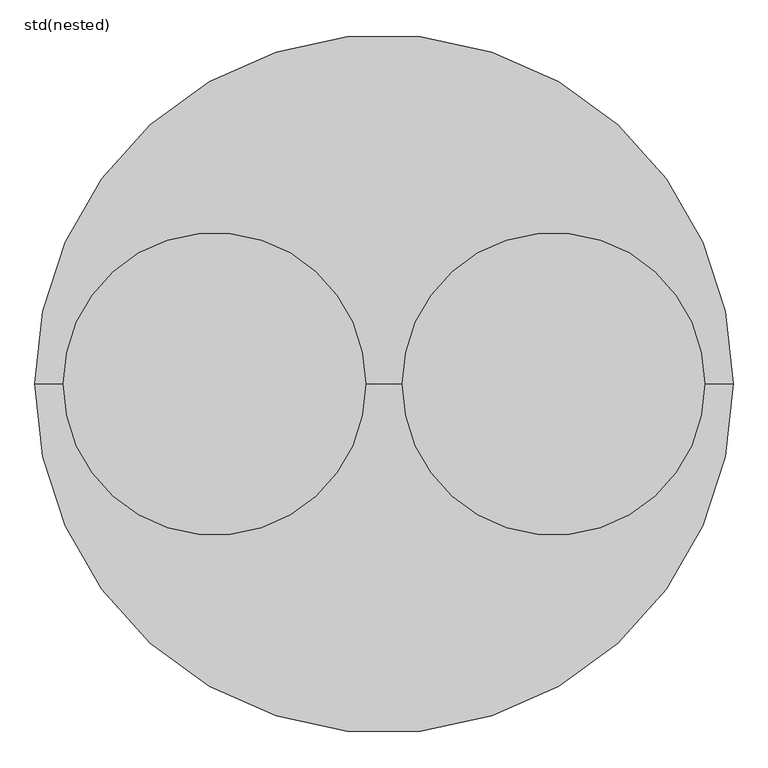
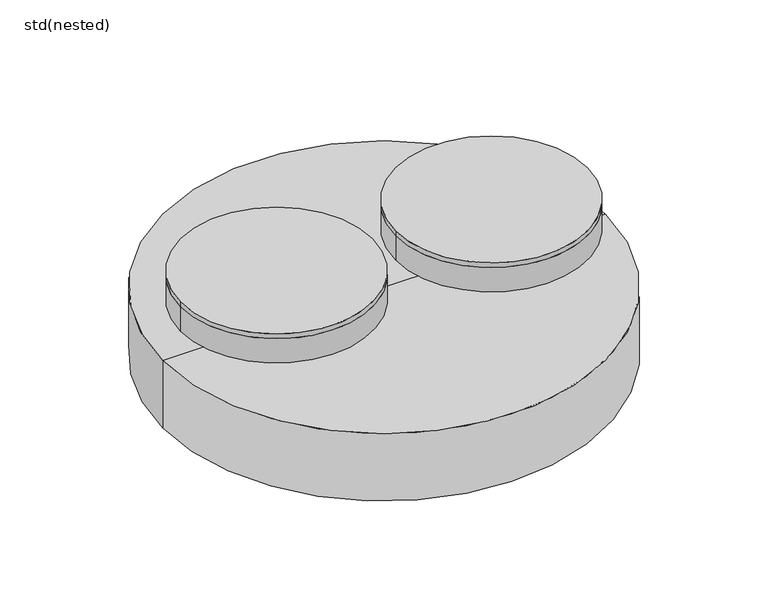
"""IFC4 building model written with IfcOpenShell, lengths in millimetres: unitary equipment geometry, std(nested)."""

from ifc_helpers import new_model, si_unit, point, frame, frame_2d, origin, place, context, project, spatial, polyline, circle_curve, trimmed, segment, composite_curve, outline, extrude, source, transform, mapped, element, save
from ifc_brep_helpers import plane_surface, cylinder_surface, revolved_surface, advanced_brep


def std_nested_fe669491(model_context):
    return source(origin(), model_context, "Body", "SolidModel", [
        extrude(outline(composite_curve([segment(trimmed(circle_curve(frame_2d((-437.0, 0.0)), 390.0), [point((-827.0, 0.0))], [point((-47.0, 0.0))], False, "CARTESIAN"), True, "CONTINUOUS"), segment(trimmed(circle_curve(frame_2d((-437.0, 0.0)), 390.0), [point((-47.0, 0.0))], [point((-827.0, 0.0))], False, "CARTESIAN"), True, "CONTINUOUS")], self_intersect=False)), frame((0.0, 0.0, -20.0), z_axis=(0.0, 0.0, 1.0), x_axis=(1.0, 0.0, 0.0)), (0.0, 0.0, 1.0), 20.0),
        extrude(outline(composite_curve([segment(trimmed(circle_curve(frame_2d((-437.0, 0.0)), 390.0), [point((-827.0, 0.0))], [point((-47.0, 0.0))], False, "CARTESIAN"), True, "CONTINUOUS"), segment(trimmed(circle_curve(frame_2d((-437.0, 0.0)), 390.0), [point((-47.0, 0.0))], [point((-827.0, 0.0))], False, "CARTESIAN"), True, "CONTINUOUS")], self_intersect=False)), frame((0.0, 0.0, -125.0), z_axis=(0.0, 0.0, 1.0), x_axis=(1.0, 0.0, 0.0)), (0.0, 0.0, 1.0), 105.0),
        extrude(outline(composite_curve([segment(trimmed(circle_curve(frame_2d((437.0, 0.0)), 390.0), [point((47.0, 0.0))], [point((827.0, 0.0))], False, "CARTESIAN"), True, "CONTINUOUS"), segment(trimmed(circle_curve(frame_2d((437.0, 0.0)), 390.0), [point((827.0, 0.0))], [point((47.0, 0.0))], False, "CARTESIAN"), True, "CONTINUOUS")], self_intersect=False)), frame((0.0, 0.0, -20.0), z_axis=(0.0, 0.0, 1.0), x_axis=(1.0, 0.0, 0.0)), (0.0, 0.0, 1.0), 20.0),
        extrude(outline(composite_curve([segment(trimmed(circle_curve(frame_2d((437.0, 0.0)), 390.0), [point((47.0, 0.0))], [point((827.0, 0.0))], False, "CARTESIAN"), True, "CONTINUOUS"), segment(trimmed(circle_curve(frame_2d((437.0, 0.0)), 390.0), [point((827.0, 0.0))], [point((47.0, 0.0))], False, "CARTESIAN"), True, "CONTINUOUS")], self_intersect=False)), frame((0.0, 0.0, -125.0), z_axis=(0.0, 0.0, 1.0), x_axis=(1.0, 0.0, 0.0)), (0.0, 0.0, 1.0), 105.0),
        advanced_brep(
        [(900.0, 0.0, -225.0), (-900.0, 0.0, -225.0), (0.0, 0.0, -225.0), (900.0, 0.0, -515.0), (-900.0, 0.0, -515.0), (840.0, 0.0, -515.0), (-840.0, 0.0, -515.0), (840.0, 0.0, -435.0), (-840.0, 0.0, -435.0), (0.0, 0.0, -435.0)],
        [
            (0, 1, circle_curve(frame((0.0, 0.0, -225.0), z_axis=(0.0, 0.0, 1.0), x_axis=(-1.0, 0.0, 0.0)), 900.0)),
            (1, 2),
            (2, 0),
            (1, 0, circle_curve(frame((0.0, 0.0, -225.0), z_axis=(0.0, 0.0, 1.0), x_axis=(-1.0, 0.0, 0.0)), 900.0)),
            (3, 4, circle_curve(frame((0.0, 0.0, -515.0), z_axis=(0.0, 0.0, 1.0), x_axis=(-1.0, 0.0, 0.0)), 900.0)),
            (4, 1),
            (0, 3),
            (4, 3, circle_curve(frame((0.0, 0.0, -515.0), z_axis=(0.0, 0.0, 1.0), x_axis=(-1.0, 0.0, 0.0)), 900.0)),
            (5, 6, circle_curve(frame((0.0, 0.0, -515.0), z_axis=(0.0, 0.0, 1.0), x_axis=(-1.0, 0.0, 0.0)), 840.0)),
            (6, 4),
            (3, 5),
            (6, 5, circle_curve(frame((0.0, 0.0, -515.0), z_axis=(0.0, 0.0, 1.0), x_axis=(-1.0, 0.0, 0.0)), 840.0)),
            (7, 8, circle_curve(frame((0.0, 0.0, -435.0), z_axis=(0.0, 0.0, 1.0), x_axis=(-1.0, 0.0, 0.0)), 840.0)),
            (8, 6),
            (5, 7),
            (8, 7, circle_curve(frame((0.0, 0.0, -435.0), z_axis=(0.0, 0.0, 1.0), x_axis=(-1.0, 0.0, 0.0)), 840.0)),
            (9, 8),
            (7, 9),
        ],
        [
            plane_surface(frame((0.0, 0.0, -225.0), z_axis=(0.0, 0.0, 1.0), x_axis=(-1.0, 0.0, 0.0))),
            cylinder_surface(frame((0.0, 0.0, -210.0), z_axis=(0.0, 0.0, -1.0), x_axis=(-1.0, 0.0, 0.0)), 900.0),
            plane_surface(frame((0.0, 0.0, -515.0), z_axis=(0.0, 0.0, -1.0), x_axis=(-1.0, 0.0, 0.0))),
            revolved_surface(polyline([(-840.0, 0.0, -515.0), (-840.0, 0.0, -435.0)]), (0.0, 0.0, -210.0), (0.0, 0.0, -1.0)),
            plane_surface(frame((0.0, 0.0, -435.0), z_axis=(0.0, 0.0, -1.0), x_axis=(-1.0, 0.0, 0.0))),
        ],
        [
            (0, [[1, 2, 3]]),
            (0, [[4, -3, -2]]),
            (1, [[5, 6, -1, 7]]),
            (1, [[8, -7, -4, -6]]),
            (2, [[9, 10, -5, 11]]),
            (2, [[12, -11, -8, -10]]),
            (3, [[13, 14, -9, 15]]),
            (3, [[16, -15, -12, -14]]),
            (4, [[17, -13, 18]]),
            (4, [[-18, -16, -17]]),
        ],
    ),
    ])


if __name__ == "__main__":
    model = new_model("IFC4")
    model_context = context("Model", 3, world=origin())
    ifc_project = project(units=[si_unit("LENGTHUNIT", "METRE", prefix="MILLI")], contexts=[model_context])
    site = spatial("IfcSite", under=ifc_project)
    building = spatial("IfcBuilding", under=site)
    placement = place(None, origin())
    std_nested_shape = std_nested_fe669491(model_context)
    element("IfcUnitaryEquipment", 1, ObjectType="std(nested)", at=placement, inside=building, context=model_context, shape_type="MappedRepresentation", body=[
        mapped(std_nested_shape, transform((0.0, 0.0, 0.0), x_axis=(1.0, 0.0, 0.0), y_axis=(0.0, 1.0, 0.0), z_axis=(0.0, 0.0, 1.0))),
    ])
    save(model, "model.ifc")
